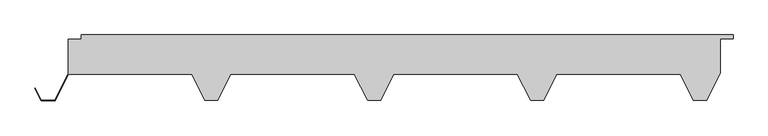
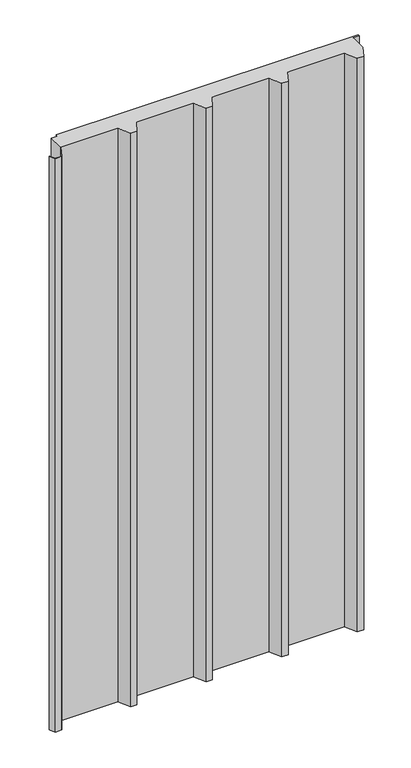
"""IFC4 building model written with IfcOpenShell, lengths in millimetres: plate geometry."""

from ifc_helpers import new_model, si_unit, origin, origin_with_axes, place, context, project, spatial, polyline, outline, extrude, source, transform, mapped, element, save


def plate_78fc421d(model_context):
    return source(origin(), model_context, "Body", "SweptSolid", [
        extrude(outline(polyline([(479.2444272, -100.0), (459.2444272, -100.0), (439.2444272, -60.0), (249.2444272, -60.0), (229.2444272, -100.0), (209.2444272, -100.0), (189.2444272, -60.0), (-0.7555728, -60.0), (-20.7555728, -100.0), (-40.7555728, -100.0), (-60.7555728, -60.0), (-250.7555728, -60.0), (-270.7555728, -100.0), (-290.7555728, -100.0), (-310.7555728, -60.0), (-499.5055728, -60.0), (-520.0055728, -101.0), (-541.5055728, -101.0), (-550.9818107, -82.0475242), (-550.266269, -81.6897533), (-541.0111456, -100.2), (-520.5, -100.2), (-500.0, -59.2), (-500.0, -6.496736), (-480.0, -6.496736), (-480.0, 0.0), (520.0, 0.0), (520.0, -6.0), (500.0, -6.0), (500.0, -58.4888544), (479.2444272, -100.0)])), origin_with_axes(), (0.0, 0.0, 1.0), 2007.6396751),
    ])


if __name__ == "__main__":
    model = new_model("IFC4")
    model_context = context("Model", 3, world=origin())
    ifc_project = project(units=[si_unit("LENGTHUNIT", "METRE", prefix="MILLI")], contexts=[model_context])
    site = spatial("IfcSite", under=ifc_project)
    building = spatial("IfcBuilding", under=site)
    placement = place(None, origin())
    plate_shape = plate_78fc421d(model_context)
    element("IfcPlate", 1, at=placement, inside=building, context=model_context, shape_type="MappedRepresentation", body=[
        mapped(plate_shape, transform((0.0, 0.0, 0.0), x_axis=(1.0, 0.0, 0.0), y_axis=(0.0, 1.0, 0.0), z_axis=(0.0, 0.0, 1.0))),
    ])
    save(model, "model.ifc")
